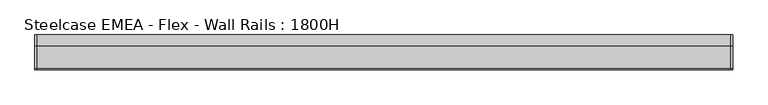
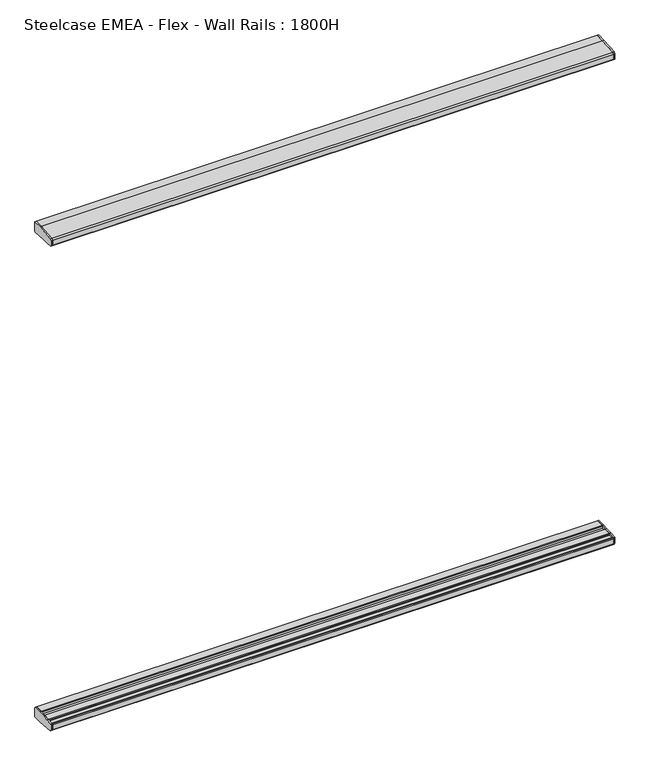
"""IFC4 building model written with IfcOpenShell, lengths in millimetres: furniture geometry, Steelcase EMEA - Flex - Wall Rails : 1800H."""

from ifc_helpers import new_model, si_unit, frame, origin, place, context, project, spatial, polyline, outline, extrude, source, transform, mapped, element, save


def steelcase_emea_flex_wall_rails_1800h_7a6102d9(model_context):
    return source(origin(), model_context, "Body", "SweptSolid", [
        extrude(outline(polyline([(-29.748384, 494.399958), (-2.0015978, 494.399958), (0.0, 492.39833), (0.0, 457.2), (-31.7483991, 457.2), (-95.5653908, 462.6914284), (-99.9999601, 467.5239814), (-99.9999601, 486.7480995), (-98.0172056, 488.9021347), (-73.1435844, 490.9657693), (-50.3978144, 493.0470375), (-29.748384, 494.399958)])), frame((1995.0, 0.0, 0.0), z_axis=(1.0, 0.0, 0.0), x_axis=(0.0, 1.0, 0.0)), (0.0, 0.0, 1.0), 5.0),
        extrude(outline(polyline([(-29.748384, 2275.5875964), (-50.3978144, 2276.9405169), (-73.1435844, 2279.0217851), (-98.0172056, 2281.0854198), (-99.9999601, 2283.239455), (-99.9999601, 2302.4635731), (-95.5653908, 2307.2961261), (-31.7483991, 2312.7875545), (0.0, 2312.7875545), (0.0, 2277.5892245), (-2.0015978, 2275.5875964), (-29.748384, 2275.5875964)])), frame((1995.0, 0.0, 0.0), z_axis=(1.0, 0.0, 0.0), x_axis=(0.0, 1.0, 0.0)), (0.0, 0.0, 1.0), 5.0),
        extrude(outline(polyline([(-29.748384, 494.399958), (-2.0015978, 494.399958), (0.0, 492.39833), (0.0, 457.2), (-31.7483991, 457.2), (-95.5653908, 462.6914284), (-99.9999601, 467.5239814), (-99.9999601, 486.7480995), (-98.0172056, 488.9021347), (-73.1435844, 490.9657693), (-50.3978144, 493.0470375), (-29.748384, 494.399958)])), frame((0.0, 0.0, 0.0), z_axis=(1.0, 0.0, 0.0), x_axis=(0.0, 1.0, 0.0)), (0.0, 0.0, 1.0), 5.0),
        extrude(outline(polyline([(-29.748384, 2275.5875964), (-50.3978144, 2276.9405169), (-73.1435844, 2279.0217851), (-98.0172056, 2281.0854198), (-99.9999601, 2283.239455), (-99.9999601, 2302.4635731), (-95.5653908, 2307.2961261), (-31.7483991, 2312.7875545), (0.0, 2312.7875545), (0.0, 2277.5892245), (-2.0015978, 2275.5875964), (-29.748384, 2275.5875964)])), frame((0.0, 0.0, 0.0), z_axis=(1.0, 0.0, 0.0), x_axis=(0.0, 1.0, 0.0)), (0.0, 0.0, 1.0), 5.0),
        extrude(outline(polyline([(0.0, 492.39833), (0.0, 457.2), (-31.7483991, 457.2), (-95.5653908, 462.6914284), (-99.9999606, 467.5239822), (-99.9999598, 486.7480995), (-98.0172056, 488.9021347), (-93.9826847, 489.2368579), (-91.9999743, 487.4118187), (-91.9999735, 484.9937772), (-75.1383227, 484.9937772), (-75.1383233, 488.7986526), (-73.1435844, 490.9657693), (-50.3978144, 493.0470375), (-48.4030258, 491.016882), (-48.4030258, 484.9937772), (-31.7499758, 484.9937772), (-31.7499758, 492.398336), (-29.748384, 494.399958), (-2.0015978, 494.399958), (0.0, 492.39833)])), frame((5.0, 0.0, 0.0), z_axis=(1.0, 0.0, 0.0), x_axis=(0.0, 1.0, 0.0)), (0.0, 0.0, 1.0), 1990.0),
        extrude(outline(polyline([(0.0, 2277.5892245), (-2.0015978, 2275.5875964), (-29.748384, 2275.5875964), (-31.7499758, 2277.5892185), (-31.7499758, 2284.9937772), (-48.4030258, 2284.9937772), (-48.4030258, 2278.9706725), (-50.3978144, 2276.9405169), (-73.1435844, 2279.0217851), (-75.1383233, 2281.1889019), (-75.1383227, 2284.9937772), (-91.9999735, 2284.9937772), (-91.9999743, 2282.5757358), (-93.9826847, 2280.7506966), (-98.0172056, 2281.0854198), (-99.9999601, 2283.2394553), (-99.9999601, 2302.4635728), (-95.5653908, 2307.2961261), (-31.7483991, 2312.7875545), (0.0, 2312.7875545), (0.0, 2277.5892245)])), frame((5.0, 0.0, 0.0), z_axis=(1.0, 0.0, 0.0), x_axis=(0.0, 1.0, 0.0)), (0.0, 0.0, 1.0), 1990.0),
    ])


if __name__ == "__main__":
    model = new_model("IFC4")
    model_context = context("Model", 3, world=origin())
    ifc_project = project(units=[si_unit("LENGTHUNIT", "METRE", prefix="MILLI")], contexts=[model_context])
    site = spatial("IfcSite", under=ifc_project)
    building = spatial("IfcBuilding", under=site)
    placement = place(None, origin())
    steelcase_emea_flex_wall_rails_1800h_shape = steelcase_emea_flex_wall_rails_1800h_7a6102d9(model_context)
    element("IfcFurniture", 1, ObjectType="Steelcase EMEA - Flex - Wall Rails : 1800H", at=placement, inside=building, context=model_context, shape_type="MappedRepresentation", body=[
        mapped(steelcase_emea_flex_wall_rails_1800h_shape, transform((0.0, 0.0, 0.0), x_axis=(1.0, 0.0, 0.0), y_axis=(0.0, 1.0, 0.0), z_axis=(0.0, 0.0, 1.0))),
    ])
    save(model, "model.ifc")
